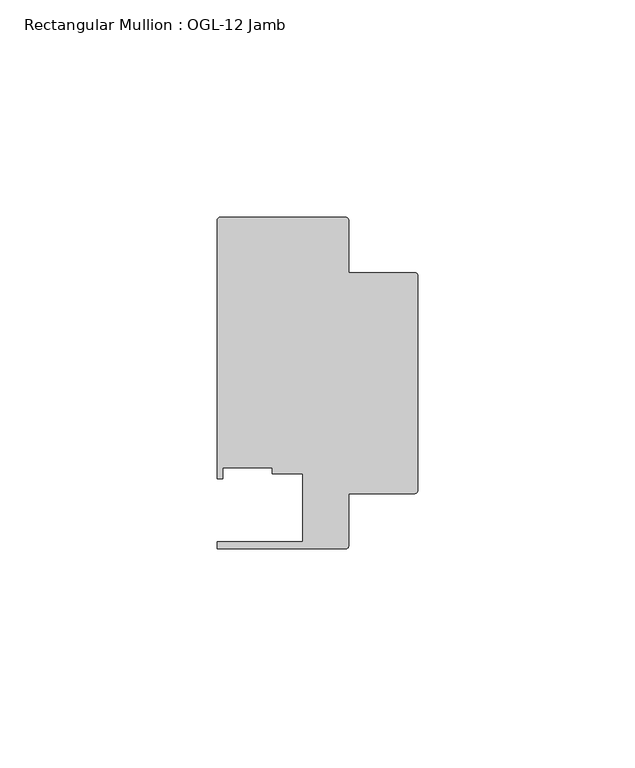
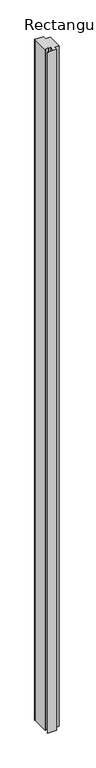
"""IFC4 building model written with IfcOpenShell, lengths in millimetres: member geometry, Rectangular Mullion : OGL-12 Jamb."""

import ifcopenshell
import ifcopenshell.guid

model = None  # the IFC model being written
_history = None  # IfcOwnerHistory: only IFC2X3 demands one
_inside = {}  # id of a spatial element -> (the spatial element, [elements in it])
_under = {}  # id of a project, library or spatial element -> (it, [spatial elements below it])
_declared = {}  # id of a project -> (the project, [libraries it declares])
_typed = {}  # id of a type object -> (the type object, [elements of that type])
_made_of = {}  # id of a material, layer set ... -> (it, [elements and type objects made of it])


def new_model(schema):
    """Start an empty IFC model of exactly this schema.

    Asked for "IFC4X3", IfcOpenShell would pick the latest addendum, in which some entities
    have other attributes; the version numbers below select the first issue.
    IFC2X3 requires an IfcOwnerHistory on every rooted entity: one is made here for all.
    """
    global model, _history
    if schema == "IFC4X3":
        model = ifcopenshell.file(schema_version=(4, 3, 0, 0))
    else:
        model = ifcopenshell.file(schema=schema)
    _inside.clear()
    _under.clear()
    _declared.clear()
    _typed.clear()
    _made_of.clear()
    _history = None
    if model.schema == "IFC2X3":
        org = make("IfcOrganization", Name="unknown")
        user = make(
            "IfcPersonAndOrganization",
            ThePerson=make("IfcPerson", FamilyName="unknown"),
            TheOrganization=org,
        )
        app = make(
            "IfcApplication",
            ApplicationDeveloper=org,
            Version="unknown",
            ApplicationFullName="unknown",
            ApplicationIdentifier="unknown",
        )
        _history = make(
            "IfcOwnerHistory",
            OwningUser=user,
            OwningApplication=app,
            ChangeAction="ADDED",
            CreationDate=0,
        )
    return model


def make(cls, **values):
    """One entity of the class cls with the attributes given. An attribute that is None is left unset."""
    return model.create_entity(
        cls, **{name: value for name, value in values.items() if value is not None}
    )


def rooted(cls, **values):
    """An entity with a GlobalId (a new one), such as an element, a storey or a relation."""
    return make(cls, GlobalId=ifcopenshell.guid.new(), OwnerHistory=_history, **values)


def si_unit(unit_type, name, prefix=None):
    """IfcSIUnit, for example si_unit("LENGTHUNIT", "METRE", prefix="MILLI")."""
    return make("IfcSIUnit", UnitType=unit_type, Prefix=prefix, Name=name)


def assignment(units):
    """IfcUnitAssignment: the units of a project."""
    return None if units is None else make("IfcUnitAssignment", Units=units)


def point(xyz):
    """IfcCartesianPoint."""
    return None if xyz is None else make("IfcCartesianPoint", Coordinates=xyz)


def direction(xyz):
    """IfcDirection."""
    return None if xyz is None else make("IfcDirection", DirectionRatios=xyz)


def frame(location, z_axis=None, x_axis=None):
    """IfcAxis2Placement3D, a coordinate frame: its origin and axes. An axis left out is left unset."""
    return make(
        "IfcAxis2Placement3D",
        Location=point(location),
        Axis=direction(z_axis),
        RefDirection=direction(x_axis),
    )


def frame_2d(location, x_axis=None):
    """IfcAxis2Placement2D, a coordinate frame in the plane: its origin and x axis."""
    return make(
        "IfcAxis2Placement2D", Location=point(location), RefDirection=direction(x_axis)
    )


def origin():
    """The frame at (0, 0, 0) with its axes left unset."""
    return frame((0.0, 0.0, 0.0))


def place(relative_to, where):
    """IfcLocalPlacement: puts the frame where relative to a parent placement (None: the world)."""
    return make(
        "IfcLocalPlacement", PlacementRelTo=relative_to, RelativePlacement=where
    )


def context(
    kind, dimensions, precision=None, world=None, true_north=None, identifier=None
):
    """IfcGeometricRepresentationContext, for example the 3D "Model" context."""
    return make(
        "IfcGeometricRepresentationContext",
        ContextIdentifier=identifier,
        ContextType=kind,
        CoordinateSpaceDimension=dimensions,
        Precision=precision,
        WorldCoordinateSystem=world,
        TrueNorth=true_north,
    )


def project(units=None, contexts=None):
    """IfcProject with its units and contexts."""
    return rooted(
        "IfcProject",
        Name="project",
        RepresentationContexts=contexts,
        UnitsInContext=assignment(units),
    )


def spatial(cls, under=None, at=None, **own):
    """A site, building, storey or space (cls), placed at a placement, below another one or the project."""
    s = rooted(cls, ObjectPlacement=at, **own)
    if under is not None:
        _under.setdefault(under.id(), (under, []))[1].append(s)
    return s


def polyline(points):
    """IfcPolyline through the points."""
    return make("IfcPolyline", Points=[point(p) for p in points])


def circle_curve(where, radius):
    """IfcCircle in the frame where."""
    return make("IfcCircle", Position=where, Radius=radius)


def trimmed(basis, trim1, trim2, sense, master):
    """IfcTrimmedCurve: the piece of a basis curve between two trims."""
    return make(
        "IfcTrimmedCurve",
        BasisCurve=basis,
        Trim1=trim1,
        Trim2=trim2,
        SenseAgreement=sense,
        MasterRepresentation=master,
    )


def segment(curve, same_sense, transition):
    """IfcCompositeCurveSegment."""
    return make(
        "IfcCompositeCurveSegment",
        Transition=transition,
        SameSense=same_sense,
        ParentCurve=curve,
    )


def composite_curve(segments, self_intersect=None):
    """IfcCompositeCurve: segments joined end to end."""
    return make("IfcCompositeCurve", Segments=segments, SelfIntersect=self_intersect)


def outline(outer, holes=None, kind="AREA"):
    """IfcArbitraryClosedProfileDef: a profile drawn as a closed curve; with holes, ...WithVoids."""
    if holes is None:
        return make("IfcArbitraryClosedProfileDef", ProfileType=kind, OuterCurve=outer)
    return make(
        "IfcArbitraryProfileDefWithVoids",
        ProfileType=kind,
        OuterCurve=outer,
        InnerCurves=holes,
    )


def extrude(swept, where, along, depth):
    """IfcExtrudedAreaSolid: the profile swept, set in the frame where, extruded along a direction by depth."""
    return make(
        "IfcExtrudedAreaSolid",
        SweptArea=swept,
        Position=where,
        ExtrudedDirection=direction(along),
        Depth=depth,
    )


def shape(context_of_items, identifier, shape_type, items):
    """IfcShapeRepresentation: the items that make up one representation, for example the "Body"."""
    return make(
        "IfcShapeRepresentation",
        ContextOfItems=context_of_items,
        RepresentationIdentifier=identifier,
        RepresentationType=shape_type,
        Items=items,
    )


def source(mapping_origin, context_of_items, identifier, shape_type, items):
    """IfcRepresentationMap: a shape defined once, which mapped items show again and again."""
    return make(
        "IfcRepresentationMap",
        MappingOrigin=mapping_origin,
        MappedRepresentation=shape(context_of_items, identifier, shape_type, items),
    )


def transform(
    local_origin,
    x_axis=None,
    y_axis=None,
    z_axis=None,
    scale=None,
    scale2=None,
    scale3=None,
    uniform=True,
):
    """IfcCartesianTransformationOperator3D, or its non-uniform kind. x_axis, y_axis, z_axis: its Axis1, 2, 3."""
    if uniform:
        return make(
            "IfcCartesianTransformationOperator3D",
            Axis1=direction(x_axis),
            Axis2=direction(y_axis),
            LocalOrigin=point(local_origin),
            Scale=scale,
            Axis3=direction(z_axis),
        )
    return make(
        "IfcCartesianTransformationOperator3DnonUniform",
        Axis1=direction(x_axis),
        Axis2=direction(y_axis),
        LocalOrigin=point(local_origin),
        Scale=scale,
        Axis3=direction(z_axis),
        Scale2=scale2,
        Scale3=scale3,
    )


def mapped(mapping_source, mapping_target):
    """IfcMappedItem: shows the shape of a source again, moved by a transform."""
    return make(
        "IfcMappedItem", MappingSource=mapping_source, MappingTarget=mapping_target
    )


def made_of(thing, what):
    """Note that an element or type object is made of a material, layer set ...; save() writes the relation."""
    if what is not None:
        _made_of.setdefault(what.id(), (what, []))[1].append(thing)
    return thing


def element(
    cls,
    number,
    at=None,
    inside=None,
    cuts=None,
    type_object=None,
    material=None,
    context=None,
    identifier="Body",
    shape_type=None,
    held_by="IfcProductDefinitionShape",
    body=None,
    shapes=None,
    **own,
):
    """One element of the class cls, such as IfcWall. Its Tag is "e" and its number.

    at: its placement. inside: the storey or other place that contains it. cuts: it is an
    opening in that element (IfcRelVoidsElement). A single representation is given by context,
    identifier, shape_type and body (its items); several are given by shapes. held_by: the class
    of the entity that holds the representations. save() writes the other relations.
    """
    e = rooted(cls, Tag="e%d" % number, ObjectPlacement=at, **own)
    if body is not None:
        shapes = [shape(context, identifier, shape_type, body)]
    if shapes is not None:
        e.Representation = make(held_by, Representations=shapes)
    if inside is not None:
        _inside.setdefault(inside.id(), (inside, []))[1].append(e)
    if cuts is not None:
        rooted(
            "IfcRelVoidsElement", RelatingBuildingElement=cuts, RelatedOpeningElement=e
        )
    if type_object is not None:
        _typed.setdefault(type_object.id(), (type_object, []))[1].append(e)
    return made_of(e, material)


def aggregate(whole, parts):
    """IfcRelAggregates: a whole, such as a stair, and the parts it consists of."""
    return rooted("IfcRelAggregates", RelatingObject=whole, RelatedObjects=parts)


def save(model, path):
    """Write the relations noted so far, then the file.

    IfcRelAggregates (storeys below a building ...), IfcRelContainedInSpatialStructure (elements
    in a storey), IfcRelDefinesByType, IfcRelAssociatesMaterial and IfcRelDeclares: one each for
    every whole, place, type object, material and project.
    """
    for whole, parts in _under.values():
        aggregate(whole, parts)
    for where, things in _inside.values():
        rooted(
            "IfcRelContainedInSpatialStructure",
            RelatedElements=things,
            RelatingStructure=where,
        )
    for kind, things in _typed.values():
        rooted("IfcRelDefinesByType", RelatedObjects=things, RelatingType=kind)
    for what, things in _made_of.values():
        rooted("IfcRelAssociatesMaterial", RelatedObjects=things, RelatingMaterial=what)
    for by, libraries in _declared.values():
        rooted("IfcRelDeclares", RelatingContext=by, RelatedDefinitions=libraries)
    model.write(path)


def rectangular_mullion_ogl_12_jamb_3069d1c8(model_context):
    return source(origin(), model_context, "Body", "SweptSolid", [
        extrude(outline(composite_curve([segment(trimmed(circle_curve(frame_2d((-0.5953125, 24.8046875)), 0.5953125), [point((-0.5953125, 25.4))], [point((0.0, 24.8046875))], False, "CARTESIAN"), True, "CONTINUOUS"), segment(polyline([(0.0, 24.8046875), (0.0, -24.8046875)]), True, "CONTINUOUS"), segment(trimmed(circle_curve(frame_2d((-0.5953125, -24.8046875)), 0.5953125), [point((0.0, -24.8046875))], [point((-0.5953125, -25.4))], False, "CARTESIAN"), True, "CONTINUOUS"), segment(polyline([(-0.5953125, -25.4), (-15.8750672, -25.4), (-15.8750672, -37.5047035)]), True, "CONTINUOUS"), segment(trimmed(circle_curve(frame_2d((-16.4703797, -37.5047035)), 0.5953125), [point((-15.8750672, -37.5047035))], [point((-16.4703797, -38.100016))], False, "CARTESIAN"), True, "CONTINUOUS"), segment(polyline([(-16.4703797, -38.100016), (-46.0248655, -38.100016), (-46.0248655, -36.512516), (-26.3720794, -36.512516), (-26.3720794, -20.8257348), (-33.3985545, -20.8257348), (-33.3985545, -19.4824275), (-44.7780305, -19.4824275), (-44.7780305, -21.9710976), (-46.0339598, -21.9710976), (-46.0339598, 37.5043667)]), True, "CONTINUOUS"), segment(trimmed(circle_curve(frame_2d((-45.4386473, 37.5043667)), 0.5953125), [point((-46.0339598, 37.5043667))], [point((-45.4386473, 38.0996792))], False, "CARTESIAN"), True, "CONTINUOUS"), segment(polyline([(-45.4386473, 38.0996792), (-16.4703797, 38.0996792)]), True, "CONTINUOUS"), segment(trimmed(circle_curve(frame_2d((-16.4703797, 37.5043667)), 0.5953125), [point((-16.4703797, 38.0996792))], [point((-15.8750672, 37.5043667))], False, "CARTESIAN"), True, "CONTINUOUS"), segment(polyline([(-15.8750672, 37.5043667), (-15.8750672, 25.4), (-0.5953125, 25.4)]), True, "CONTINUOUS")], self_intersect=False)), frame((0.0, 0.0, -2438.4), z_axis=(0.0, 0.0, 1.0), x_axis=(1.0, 0.0, 0.0)), (0.0, 0.0, 1.0), 2438.4),
    ])


if __name__ == "__main__":
    model = new_model("IFC4")
    model_context = context("Model", 3, world=origin())
    ifc_project = project(units=[si_unit("LENGTHUNIT", "METRE", prefix="MILLI")], contexts=[model_context])
    site = spatial("IfcSite", under=ifc_project)
    building = spatial("IfcBuilding", under=site)
    placement = place(None, origin())
    rectangular_mullion_ogl_12_jamb_shape = rectangular_mullion_ogl_12_jamb_3069d1c8(model_context)
    element("IfcMember", 1, ObjectType="Rectangular Mullion : OGL-12 Jamb", at=placement, inside=building, context=model_context, shape_type="MappedRepresentation", body=[
        mapped(rectangular_mullion_ogl_12_jamb_shape, transform((0.0, 0.0, 0.0), x_axis=(1.0, 0.0, 0.0), y_axis=(0.0, 1.0, 0.0), z_axis=(0.0, 0.0, 1.0))),
    ])
    save(model, "model.ifc")
